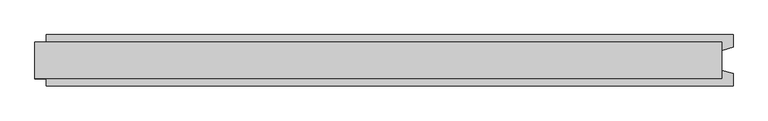
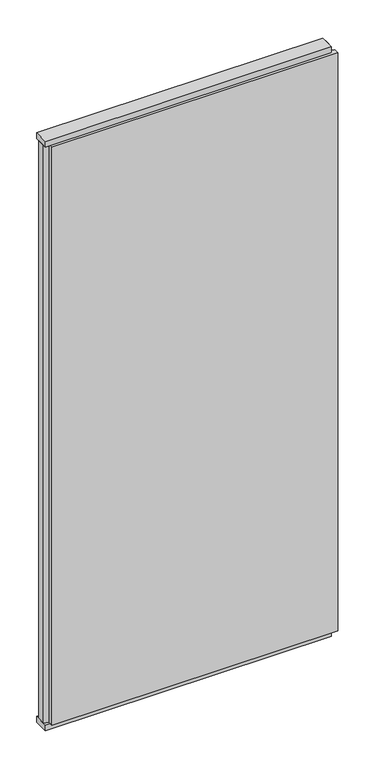
"""IFC4 building model written with IfcOpenShell, lengths in millimetres: plate geometry."""

from ifc_helpers import new_model, si_unit, frame, origin, origin_with_axes, place, context, project, spatial, polyline, outline, extrude, source, transform, mapped, element, save


def plate_cde9d4ee(model_context):
    return source(origin(), model_context, "Body", "SweptSolid", [
        extrude(outline(polyline([(602.5, -32.0), (-602.5, -32.0), (-602.5, 32.0), (602.5, 32.0), (602.5, -32.0)])), origin_with_axes(), (0.0, 0.0, 1.0), 25.0),
        extrude(outline(polyline([(602.5, -32.0), (-602.5, -32.0), (-602.5, 32.0), (602.5, 32.0), (602.5, -32.0)])), frame((0.0, 0.0, 2602.0), z_axis=(0.0, 0.0, 1.0), x_axis=(1.0, 0.0, 0.0)), (0.0, 0.0, 1.0), 25.0),
        extrude(outline(polyline([(622.5, -45.0), (-582.5, -45.0), (-582.5, -22.9993165), (-602.5, -17.6401049), (-602.5, 17.6401049), (-582.5, 22.9993165), (-582.5, 45.0), (622.5, 45.0), (622.5, 22.9993165), (602.5, 17.6401049), (602.5, -17.6401049), (622.5, -22.9993165), (622.5, -45.0)])), frame((0.0, 0.0, 25.0), z_axis=(0.0, 0.0, 1.0), x_axis=(1.0, 0.0, 0.0)), (0.0, 0.0, 1.0), 2577.0),
    ])


if __name__ == "__main__":
    model = new_model("IFC4")
    model_context = context("Model", 3, world=origin())
    ifc_project = project(units=[si_unit("LENGTHUNIT", "METRE", prefix="MILLI")], contexts=[model_context])
    site = spatial("IfcSite", under=ifc_project)
    building = spatial("IfcBuilding", under=site)
    placement = place(None, origin())
    plate_shape = plate_cde9d4ee(model_context)
    element("IfcPlate", 1, at=placement, inside=building, context=model_context, shape_type="MappedRepresentation", body=[
        mapped(plate_shape, transform((0.0, 0.0, 0.0), x_axis=(1.0, 0.0, 0.0), y_axis=(0.0, 1.0, 0.0), z_axis=(0.0, 0.0, 1.0))),
    ])
    save(model, "model.ifc")
